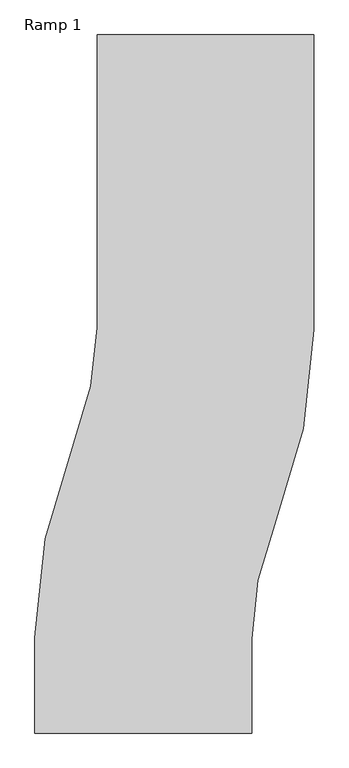
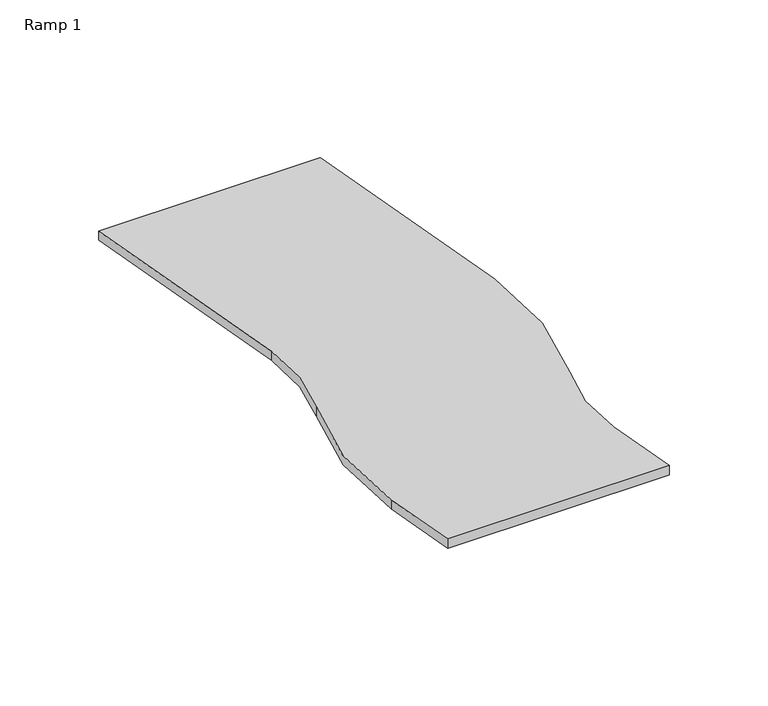
"""IFC4 building model written with IfcOpenShell, lengths in millimetres: ramp geometry, Ramp 1."""

from ifc_helpers import new_model, si_unit, frame, origin, place, context, project, spatial, polyline, ellipse_curve, source, transform, mapped, element, save
from ifc_brep_helpers import plane_surface, cylinder_surface, revolved_surface, advanced_brep


def ramp_1_12758df5(model_context):
    return source(origin(), model_context, "Body", "AdvancedBrep", [
        advanced_brep(
        [(9349.1443286, -37072.8803097, -1149.4478889), (9349.1443286, -35547.6354074, -1426.7651439), (9724.2137352, -33696.5083466, -1763.3337004), (10354.1195938, -30557.2959809, -2334.099585), (10354.1195938, -25794.8436986, -3200.0), (6854.1195938, -25794.8436986, -3200.0), (6854.1195938, -30522.2982944, -2340.4628008), (6477.9884829, -32387.8782495, -2001.2664453), (5849.1443286, -35534.9535435, -1429.0709373), (5849.1443286, -37072.8803097, -1149.4478889), (9349.1443286, -37072.8803097, -1301.9070692), (5849.1443286, -37072.8803097, -1301.9070692), (5849.1443286, -35534.9535435, -1581.5301176), (6477.9884829, -32387.8782495, -2153.7256256), (6854.1195938, -30522.2982944, -2492.9219811), (6854.1195938, -25794.8436986, -3352.4591803), (10354.1195938, -25794.8436986, -3352.4591803), (10354.1195938, -30557.2959809, -2486.5587653), (9724.2137352, -33696.5083466, -1915.7928807), (9349.1443286, -35547.6354074, -1579.2243241)],
        [
            (0, 1),
            (1, 2, ellipse_curve(frame((14309.2782003, -35589.0805583, -1419.2296619), z_axis=(0.0, -0.17888543819998318, -0.9838699100999074), x_axis=(0.0, 0.9838699100999074, -0.17888543819998334)), 5041.6289475, 4960.3070193)),
            (2, 3, ellipse_curve(frame((1424.8254819, -30398.3717724, -2362.9948957), z_axis=(0.0, 0.17888543819998318, 0.9838699100999074), x_axis=(0.0, -0.9838699100999074, 0.17888543819998334)), 9077.1230834, 8930.708272)),
            (3, 4),
            (4, 5),
            (5, 6),
            (6, 7, ellipse_curve(frame((1424.8254819, -30398.3717724, -2362.9948957), z_axis=(0.0, -0.17888543819998318, -0.9838699100999074), x_axis=(0.0, 0.9838699100999074, -0.17888543819998334)), 5519.7422101, 5430.708272)),
            (7, 8, ellipse_curve(frame((14309.2782003, -35589.0805583, -1419.2296619), z_axis=(0.0, 0.17888543819998318, 0.9838699100999074), x_axis=(0.0, -0.9838699100999074, 0.17888543819998334)), 8599.0098208, 8460.3070193)),
            (8, 9),
            (9, 0),
            (10, 11),
            (11, 12),
            (12, 13, ellipse_curve(frame((14309.2782003, -35589.0805583, -1571.6888422), z_axis=(0.0, -0.17888543819998318, -0.9838699100999074), x_axis=(0.0, -0.9838699100999074, 0.17888543819998334)), 8599.0098208, 8460.3070193)),
            (13, 14, ellipse_curve(frame((1424.8254819, -30398.3717724, -2515.454076), z_axis=(0.0, 0.17888543819998318, 0.9838699100999074), x_axis=(0.0, 0.9838699100999074, -0.17888543819998334)), 5519.7422101, 5430.708272)),
            (14, 15),
            (15, 16),
            (16, 17),
            (17, 18, ellipse_curve(frame((1424.8254819, -30398.3717724, -2515.454076), z_axis=(0.0, -0.17888543819998318, -0.9838699100999074), x_axis=(0.0, -0.9838699100999074, 0.17888543819998334)), 9077.1230834, 8930.708272)),
            (18, 19, ellipse_curve(frame((14309.2782003, -35589.0805583, -1571.6888422), z_axis=(0.0, 0.17888543819998318, 0.9838699100999074), x_axis=(0.0, 0.9838699100999074, -0.17888543819998334)), 5041.6289475, 4960.3070193)),
            (19, 10),
            (4, 16),
            (15, 5),
            (9, 11),
            (10, 0),
            (14, 6),
            (13, 7),
            (12, 8),
            (19, 1),
            (18, 2),
            (17, 3),
        ],
        [
            plane_surface(frame((8604.1195938, -25794.8436986, -3200.0), z_axis=(0.0, 0.17888543819998318, 0.9838699100999074), x_axis=(1.0, 0.0, 0.0))),
            plane_surface(frame((8604.1195938, -25794.8436986, -3352.4591803), z_axis=(0.0, -0.17888543819998318, -0.9838699100999074), x_axis=(1.0, 0.0, 0.0))),
            plane_surface(frame((10354.1195938, -25794.8436986, -3200.0), z_axis=(0.0, 1.0, 0.0), x_axis=(0.0, 0.0, -1.0))),
            plane_surface(frame((5849.1443286, -37072.8803097, -1149.4478889), z_axis=(0.0, -1.0, 0.0), x_axis=(0.0, 0.0, -1.0))),
            plane_surface(frame((6854.1195938, -25794.8436986, -3200.0), z_axis=(-1.0, 0.0, 0.0), x_axis=(0.0, 0.0, -1.0))),
            revolved_surface(polyline([(6855.5337539, -30398.3717724, -3502.855580004683), (6855.5337539, -30398.3717724, -1375.5933916953172)]), (1424.8254819, -30398.3717724, -3200.0), (0.0, 0.0, -1.0)),
            cylinder_surface(frame((14309.2782003, -35589.0805583, -3200.0), z_axis=(0.0, 0.0, 1.0), x_axis=(1.0, 0.0, 0.0)), 8460.3070193),
            plane_surface(frame((5849.1443286, -35534.9535435, -1429.0709373), z_axis=(-1.0, 0.0, 0.0), x_axis=(0.0, 0.0, -1.0))),
            plane_surface(frame((9349.1443286, -37072.8803097, -1149.4478889), z_axis=(1.0, 0.0, 0.0), x_axis=(0.0, 0.0, -1.0))),
            revolved_surface(polyline([(19269.585219599998, -35589.0805583, -2473.5628457152584), (19269.585219599998, -35589.0805583, -517.3556583847417)]), (14309.2782003, -35589.0805583, -3200.0), (0.0, 0.0, -1.0)),
            cylinder_surface(frame((1424.8254819, -30398.3717724, -3200.0), z_axis=(0.0, 0.0, 1.0), x_axis=(1.0, 0.0, 0.0)), 8930.708272),
            plane_surface(frame((10354.1195938, -30557.2959809, -2334.099585), z_axis=(1.0, 0.0, 0.0), x_axis=(0.0, 0.0, -1.0))),
        ],
        [
            (0, [[1, 2, 3, 4, 5, 6, 7, 8, 9, 10]]),
            (1, [[11, 12, 13, 14, 15, 16, 17, 18, 19, 20]]),
            (2, [[-5, 21, -16, 22]]),
            (3, [[-10, 23, -11, 24]]),
            (4, [[-6, -22, -15, 25]]),
            (5, [[-7, -25, -14, 26]]),
            (6, [[-8, -26, -13, 27]]),
            (7, [[-9, -27, -12, -23]]),
            (8, [[-1, -24, -20, 28]]),
            (9, [[-2, -28, -19, 29]]),
            (10, [[-3, -29, -18, 30]]),
            (11, [[-4, -30, -17, -21]]),
        ],
    ),
    ])


if __name__ == "__main__":
    model = new_model("IFC4")
    model_context = context("Model", 3, world=origin())
    ifc_project = project(units=[si_unit("LENGTHUNIT", "METRE", prefix="MILLI")], contexts=[model_context])
    site = spatial("IfcSite", under=ifc_project)
    building = spatial("IfcBuilding", under=site)
    placement = place(None, origin())
    ramp_1_shape = ramp_1_12758df5(model_context)
    element("IfcRamp", 1, ObjectType="Ramp 1", at=placement, inside=building, context=model_context, shape_type="MappedRepresentation", body=[
        mapped(ramp_1_shape, transform((0.0, 0.0, 0.0), x_axis=(1.0, 0.0, 0.0), y_axis=(0.0, 1.0, 0.0), z_axis=(0.0, 0.0, 1.0))),
    ])
    save(model, "model.ifc")
